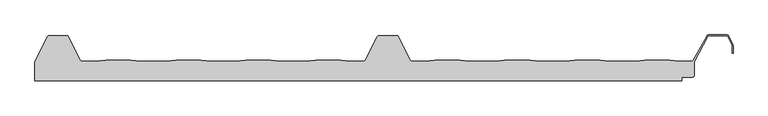
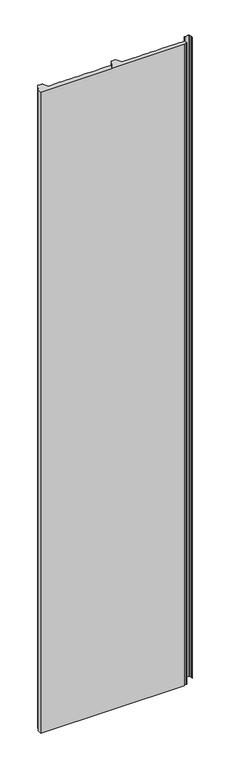
"""IFC4 building model written with IfcOpenShell, lengths in millimetres: proxy geometry."""

from ifc_helpers import new_model, si_unit, point, frame, frame_2d, origin, place, context, project, spatial, polyline, circle_curve, trimmed, segment, composite_curve, outline, extrude, source, transform, mapped, element, save


def generic_models_858e4828(model_context):
    return source(origin(), model_context, "Body", "SweptSolid", [
        extrude(outline(composite_curve([segment(polyline([(-34.7672279, -0.4243568), (-15.8623023, 37.2736842)]), True, "CONTINUOUS"), segment(trimmed(circle_curve(frame_2d((-13.1662252, 35.9579456)), 3.0), [point((-15.8623023, 37.2736842))], [point((-13.1662252, 38.9579456))], False, "CARTESIAN"), True, "CONTINUOUS"), segment(polyline([(-13.1662252, 38.9579456), (13.1699133, 38.9579456)]), True, "CONTINUOUS"), segment(trimmed(circle_curve(frame_2d((13.1699133, 35.9579456)), 3.0), [point((13.1699133, 38.9579456))], [point((15.8659904, 37.2736842))], False, "CARTESIAN"), True, "CONTINUOUS"), segment(polyline([(15.8659904, 37.2736842), (33.7548485, 1.6596997)]), True, "CONTINUOUS"), segment(trimmed(circle_curve(frame_2d((36.4387999, 3.0)), 3.0), [point((33.7548485, 1.6596997))], [point((36.4387999, 0.0))], True, "CARTESIAN"), True, "CONTINUOUS"), segment(polyline([(36.4387999, 0.0), (57.5632135, 0.0), (72.4269301, 1.7979456), (110.5462294, 1.7979456), (125.409946, 0.0), (163.5632135, 0.0), (178.4269301, 1.7979456), (216.5462294, 1.7979456), (231.409946, 0.0), (269.5632135, 0.0), (284.4269301, 1.7979456), (322.5462294, 1.7979456), (337.409946, 0.0), (375.5632135, 0.0), (390.4269301, 1.7979456), (428.5462294, 1.7979456), (443.4267677, -0.0020348), (463.1449543, -0.0020348)]), True, "CONTINUOUS"), segment(trimmed(circle_curve(frame_2d((463.1449543, 2.9979652)), 3.0), [point((463.1449543, -0.0020348))], [point((465.8289057, 1.6576649))], True, "CARTESIAN"), True, "CONTINUOUS"), segment(polyline([(465.8289057, 1.6576649), (484.1712683, 37.3482459)]), True, "CONTINUOUS"), segment(trimmed(circle_curve(frame_2d((486.8552196, 36.0079456)), 3.0), [point((484.1712683, 37.3482459))], [point((486.8552196, 39.0079456))], False, "CARTESIAN"), True, "CONTINUOUS"), segment(polyline([(486.8552196, 39.0079456), (513.1449445, 39.0079456)]), True, "CONTINUOUS"), segment(trimmed(circle_curve(frame_2d((513.1449445, 36.0079456)), 3.0), [point((513.1449445, 39.0079456))], [point((515.8288959, 37.3482459))], False, "CARTESIAN"), True, "CONTINUOUS"), segment(polyline([(515.8288959, 37.3482459), (534.1528136, 1.6486489)]), True, "CONTINUOUS"), segment(trimmed(circle_curve(frame_2d((536.856405, 2.9878462)), 3.017094), [point((534.1528136, 1.6486489))], [point((536.4373213, 0.0))], True, "CARTESIAN"), True, "CONTINUOUS"), segment(polyline([(536.4373213, 0.0), (556.5902181, 0.0), (571.4539348, 1.7979456), (609.573234, 1.7979456), (624.4369507, 0.0), (662.5902181, 0.0), (677.4539348, 1.7979456), (715.573234, 1.7979456), (730.4369507, 0.0), (768.5902181, 0.0), (783.4539348, 1.7979456), (821.573234, 1.7979456), (836.4369507, 0.0), (874.5902181, 0.0), (889.4539348, 1.7979456), (927.573234, 1.7979456), (942.4369507, 0.0), (960.1809415, 0.0)]), True, "CONTINUOUS"), segment(trimmed(circle_curve(frame_2d((960.1809415, 3.0)), 3.0), [point((960.1809415, 0.0))], [point((962.8075869, 1.5506091))], True, "CARTESIAN"), True, "CONTINUOUS"), segment(polyline([(962.8075869, 1.5506091), (983.7108944, 38.44698)]), True, "CONTINUOUS"), segment(trimmed(circle_curve(frame_2d((986.3384217, 36.9991886)), 3.0), [point((983.7108944, 38.44698))], [point((986.3384217, 39.9991886))], False, "CARTESIAN"), True, "CONTINUOUS"), segment(polyline([(986.3384217, 39.9991886), (1013.6874272, 39.9991886)]), True, "CONTINUOUS"), segment(trimmed(circle_curve(frame_2d((1013.6874272, 36.9991886)), 3.0), [point((1013.6874272, 39.9991886))], [point((1016.3713786, 38.3394889))], False, "CARTESIAN"), True, "CONTINUOUS"), segment(polyline([(1016.3713786, 38.3394889), (1022.9005634, 25.2647963)]), True, "CONTINUOUS"), segment(trimmed(circle_curve(frame_2d((1020.2166121, 23.9244959)), 3.0), [point((1022.9005634, 25.2647963))], [point((1023.2166121, 23.9244959))], False, "CARTESIAN"), True, "CONTINUOUS"), segment(polyline([(1023.2166121, 23.9244959), (1023.2166121, 12.4550557), (1022.2166121, 12.4550557), (1022.2166121, 23.9244959)]), True, "CONTINUOUS"), segment(trimmed(circle_curve(frame_2d((1020.2166121, 23.9244959)), 2.0), [point((1022.2166121, 23.9244959))], [point((1022.005913, 24.8180295))], True, "CARTESIAN"), True, "CONTINUOUS"), segment(polyline([(1022.005913, 24.8180295), (1015.4767281, 37.8927222)]), True, "CONTINUOUS"), segment(trimmed(circle_curve(frame_2d((1013.6874272, 36.9991886)), 2.0), [point((1015.4767281, 37.8927222))], [point((1013.6874272, 38.9991886))], True, "CARTESIAN"), True, "CONTINUOUS"), segment(polyline([(1013.6874272, 38.9991886), (986.3557773, 38.9991886)]), True, "CONTINUOUS"), segment(trimmed(circle_curve(frame_2d((986.3557773, 36.9991886)), 2.0), [point((986.3557773, 38.9991886))], [point((984.5660869, 37.8919418))], True, "CARTESIAN"), True, "CONTINUOUS"), segment(polyline([(984.5660869, 37.8919418), (964.2351211, -0.7965502), (964.2351211, -21.1020544)]), True, "CONTINUOUS"), segment(trimmed(circle_curve(frame_2d((961.2351211, -21.1020544)), 3.0), [point((964.2351211, -21.1020544))], [point((961.2351211, -24.1020544))], False, "CARTESIAN"), True, "CONTINUOUS"), segment(polyline([(961.2351211, -24.1020544), (945.306253, -24.1020544), (945.306253, -29.1020544), (-34.7672279, -29.1020544), (-34.7672279, -0.4243568)]), True, "CONTINUOUS")], self_intersect=False)), frame((0.0, 0.0, -250.0), z_axis=(0.0, 0.0, 1.0), x_axis=(1.0, 0.0, 0.0)), (0.0, 0.0, 1.0), 4623.800303),
    ])


if __name__ == "__main__":
    model = new_model("IFC4")
    model_context = context("Model", 3, world=origin())
    ifc_project = project(units=[si_unit("LENGTHUNIT", "METRE", prefix="MILLI")], contexts=[model_context])
    site = spatial("IfcSite", under=ifc_project)
    building = spatial("IfcBuilding", under=site)
    placement = place(None, origin())
    generic_models_shape = generic_models_858e4828(model_context)
    element("IfcBuildingElementProxy", 1, Name="Generic Models", at=placement, inside=building, context=model_context, shape_type="MappedRepresentation", body=[
        mapped(generic_models_shape, transform((0.0, 0.0, 0.0), x_axis=(1.0, 0.0, 0.0), y_axis=(0.0, 1.0, 0.0), z_axis=(0.0, 0.0, 1.0))),
    ])
    save(model, "model.ifc")
